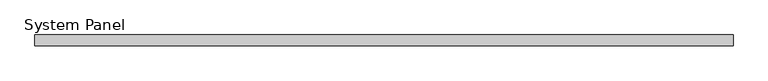
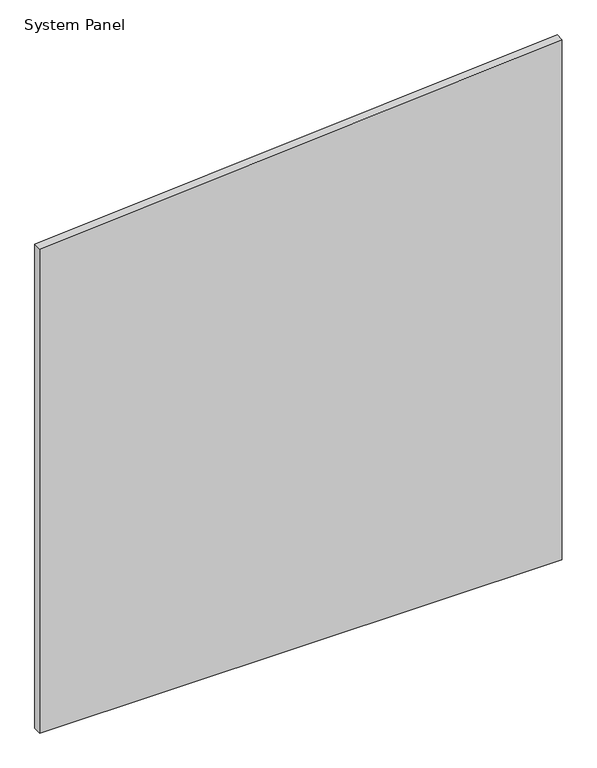
"""IFC4 building model written with IfcOpenShell, lengths in millimetres: plate geometry, System Panel."""

from ifc_helpers import new_model, si_unit, frame, origin, place, context, project, spatial, polyline, outline, extrude, source, transform, mapped, element, save


def system_panel_c568d899(model_context):
    return source(origin(), model_context, "Body", "SweptSolid", [
        extrude(outline(polyline([(0.0, -646.8011267), (0.0, 646.8011267), (1361.3676903, 646.8011267), (1266.1523123, -646.8011267), (0.0, -646.8011267)])), frame((0.0, -10.0, 0.0), z_axis=(0.0, 1.0, 0.0), x_axis=(0.0, 0.0, 1.0)), (0.0, 0.0, 1.0), 20.0),
    ])


if __name__ == "__main__":
    model = new_model("IFC4")
    model_context = context("Model", 3, world=origin())
    ifc_project = project(units=[si_unit("LENGTHUNIT", "METRE", prefix="MILLI")], contexts=[model_context])
    site = spatial("IfcSite", under=ifc_project)
    building = spatial("IfcBuilding", under=site)
    placement = place(None, origin())
    system_panel_shape = system_panel_c568d899(model_context)
    element("IfcPlate", 1, ObjectType="System Panel", at=placement, inside=building, context=model_context, shape_type="MappedRepresentation", body=[
        mapped(system_panel_shape, transform((0.0, 0.0, 0.0), x_axis=(1.0, 0.0, 0.0), y_axis=(0.0, 1.0, 0.0), z_axis=(0.0, 0.0, 1.0))),
    ])
    save(model, "model.ifc")
